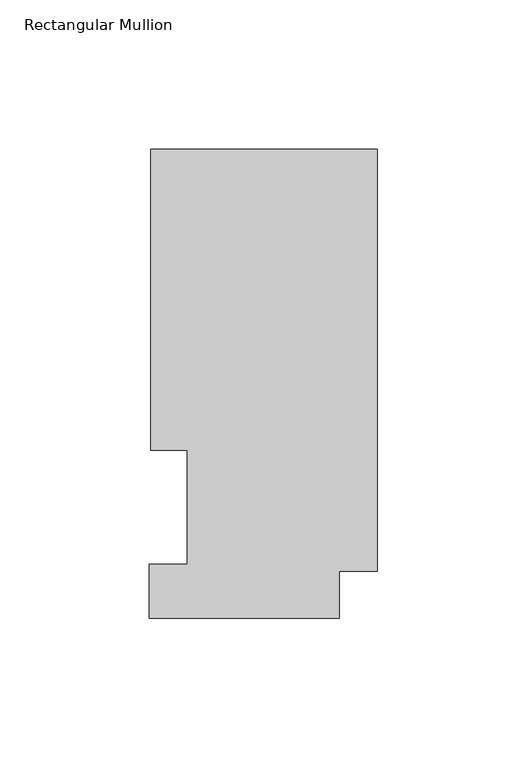
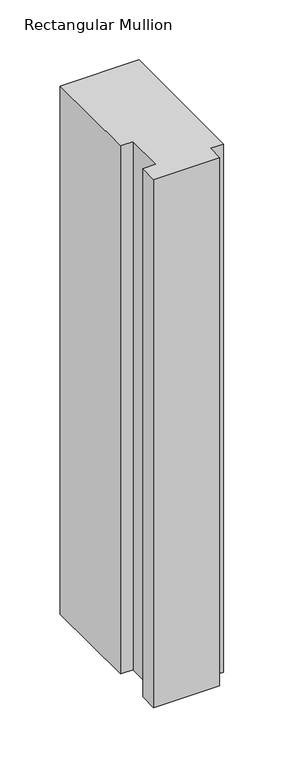
"""IFC4 building model written with IfcOpenShell, lengths in millimetres: member geometry, Rectangular Mullion."""

from ifc_helpers import new_model, si_unit, frame, origin, place, context, project, spatial, polyline, outline, extrude, source, transform, mapped, element, save


def rectangular_mullion_fc93f23b(model_context):
    return source(origin(), model_context, "Body", "SweptSolid", [
        extrude(outline(polyline([(-75.7936, 157.3395063), (0.0, 157.3395063), (0.0, 16.1663063), (-12.7, 16.1663063), (-12.7, 0.5199063), (-76.2, 0.5199063), (-76.2, 18.5539063), (-63.5, 18.5539063), (-63.5, 56.6539063), (-75.7936, 56.6539063), (-75.7936, 157.3395063)])), frame((0.0, 0.0, -538.1612992), z_axis=(0.0, 0.0, 1.0), x_axis=(1.0, 0.0, 0.0)), (0.0, 0.0, 1.0), 538.1612992),
    ])


if __name__ == "__main__":
    model = new_model("IFC4")
    model_context = context("Model", 3, world=origin())
    ifc_project = project(units=[si_unit("LENGTHUNIT", "METRE", prefix="MILLI")], contexts=[model_context])
    site = spatial("IfcSite", under=ifc_project)
    building = spatial("IfcBuilding", under=site)
    placement = place(None, origin())
    rectangular_mullion_shape = rectangular_mullion_fc93f23b(model_context)
    element("IfcMember", 1, ObjectType="Rectangular Mullion", at=placement, inside=building, context=model_context, shape_type="MappedRepresentation", body=[
        mapped(rectangular_mullion_shape, transform((0.0, 0.0, 0.0), x_axis=(1.0, 0.0, 0.0), y_axis=(0.0, 1.0, 0.0), z_axis=(0.0, 0.0, 1.0))),
    ])
    save(model, "model.ifc")
